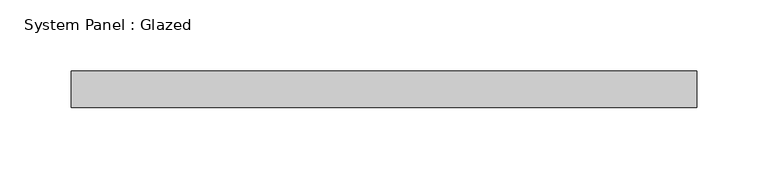
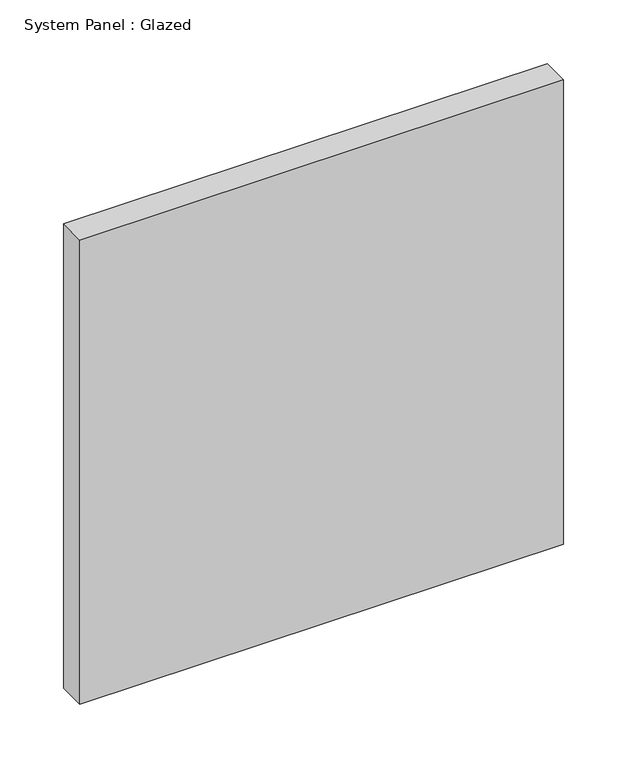
"""IFC4 building model written with IfcOpenShell, lengths in millimetres: plate geometry, System Panel : Glazed."""

from ifc_helpers import new_model, si_unit, origin, origin_with_axes, place, context, project, spatial, polyline, outline, extrude, source, transform, mapped, element, save


def system_panel_glazed_1d42739f(model_context):
    return source(origin(), model_context, "Body", "SweptSolid", [
        extrude(outline(polyline([(219.075, -12.7), (-219.075, -12.7), (-219.075, 12.7), (219.075, 12.7), (219.075, -12.7)])), origin_with_axes(), (0.0, 0.0, 1.0), 444.5),
    ])


if __name__ == "__main__":
    model = new_model("IFC4")
    model_context = context("Model", 3, world=origin())
    ifc_project = project(units=[si_unit("LENGTHUNIT", "METRE", prefix="MILLI")], contexts=[model_context])
    site = spatial("IfcSite", under=ifc_project)
    building = spatial("IfcBuilding", under=site)
    placement = place(None, origin())
    system_panel_glazed_shape = system_panel_glazed_1d42739f(model_context)
    element("IfcPlate", 1, ObjectType="System Panel : Glazed", at=placement, inside=building, context=model_context, shape_type="MappedRepresentation", body=[
        mapped(system_panel_glazed_shape, transform((0.0, 0.0, 0.0), x_axis=(1.0, 0.0, 0.0), y_axis=(0.0, 1.0, 0.0), z_axis=(0.0, 0.0, 1.0))),
    ])
    save(model, "model.ifc")
